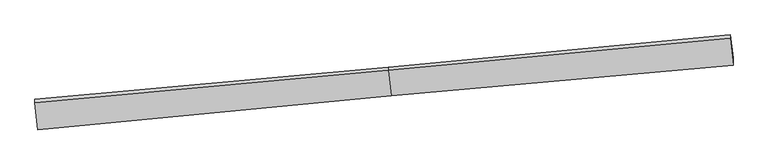
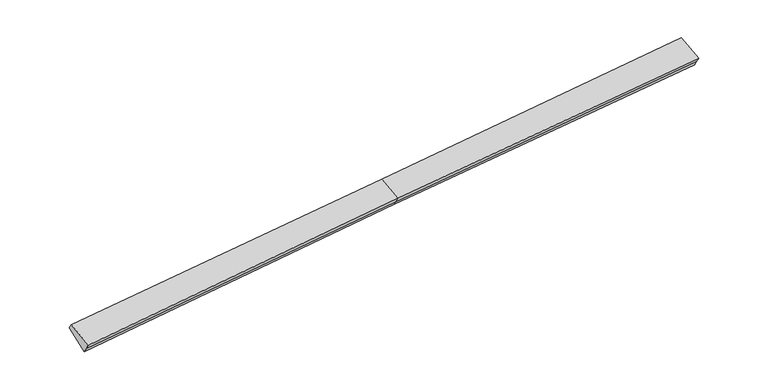
"""IFC4 building model written with IfcOpenShell, lengths in millimetres: proxy geometry."""

import ifcopenshell
import ifcopenshell.guid

model = None  # the IFC model being written
_history = None  # IfcOwnerHistory: only IFC2X3 demands one
_inside = {}  # id of a spatial element -> (the spatial element, [elements in it])
_under = {}  # id of a project, library or spatial element -> (it, [spatial elements below it])
_declared = {}  # id of a project -> (the project, [libraries it declares])
_typed = {}  # id of a type object -> (the type object, [elements of that type])
_made_of = {}  # id of a material, layer set ... -> (it, [elements and type objects made of it])


def new_model(schema):
    """Start an empty IFC model of exactly this schema.

    Asked for "IFC4X3", IfcOpenShell would pick the latest addendum, in which some entities
    have other attributes; the version numbers below select the first issue.
    IFC2X3 requires an IfcOwnerHistory on every rooted entity: one is made here for all.
    """
    global model, _history
    if schema == "IFC4X3":
        model = ifcopenshell.file(schema_version=(4, 3, 0, 0))
    else:
        model = ifcopenshell.file(schema=schema)
    _inside.clear()
    _under.clear()
    _declared.clear()
    _typed.clear()
    _made_of.clear()
    _history = None
    if model.schema == "IFC2X3":
        org = make("IfcOrganization", Name="unknown")
        user = make(
            "IfcPersonAndOrganization",
            ThePerson=make("IfcPerson", FamilyName="unknown"),
            TheOrganization=org,
        )
        app = make(
            "IfcApplication",
            ApplicationDeveloper=org,
            Version="unknown",
            ApplicationFullName="unknown",
            ApplicationIdentifier="unknown",
        )
        _history = make(
            "IfcOwnerHistory",
            OwningUser=user,
            OwningApplication=app,
            ChangeAction="ADDED",
            CreationDate=0,
        )
    return model


def make(cls, **values):
    """One entity of the class cls with the attributes given. An attribute that is None is left unset."""
    return model.create_entity(
        cls, **{name: value for name, value in values.items() if value is not None}
    )


def rooted(cls, **values):
    """An entity with a GlobalId (a new one), such as an element, a storey or a relation."""
    return make(cls, GlobalId=ifcopenshell.guid.new(), OwnerHistory=_history, **values)


def si_unit(unit_type, name, prefix=None):
    """IfcSIUnit, for example si_unit("LENGTHUNIT", "METRE", prefix="MILLI")."""
    return make("IfcSIUnit", UnitType=unit_type, Prefix=prefix, Name=name)


def assignment(units):
    """IfcUnitAssignment: the units of a project."""
    return None if units is None else make("IfcUnitAssignment", Units=units)


def point(xyz):
    """IfcCartesianPoint."""
    return None if xyz is None else make("IfcCartesianPoint", Coordinates=xyz)


def direction(xyz):
    """IfcDirection."""
    return None if xyz is None else make("IfcDirection", DirectionRatios=xyz)


def frame(location, z_axis=None, x_axis=None):
    """IfcAxis2Placement3D, a coordinate frame: its origin and axes. An axis left out is left unset."""
    return make(
        "IfcAxis2Placement3D",
        Location=point(location),
        Axis=direction(z_axis),
        RefDirection=direction(x_axis),
    )


def origin():
    """The frame at (0, 0, 0) with its axes left unset."""
    return frame((0.0, 0.0, 0.0))


def place(relative_to, where):
    """IfcLocalPlacement: puts the frame where relative to a parent placement (None: the world)."""
    return make(
        "IfcLocalPlacement", PlacementRelTo=relative_to, RelativePlacement=where
    )


def context(
    kind, dimensions, precision=None, world=None, true_north=None, identifier=None
):
    """IfcGeometricRepresentationContext, for example the 3D "Model" context."""
    return make(
        "IfcGeometricRepresentationContext",
        ContextIdentifier=identifier,
        ContextType=kind,
        CoordinateSpaceDimension=dimensions,
        Precision=precision,
        WorldCoordinateSystem=world,
        TrueNorth=true_north,
    )


def project(units=None, contexts=None):
    """IfcProject with its units and contexts."""
    return rooted(
        "IfcProject",
        Name="project",
        RepresentationContexts=contexts,
        UnitsInContext=assignment(units),
    )


def spatial(cls, under=None, at=None, **own):
    """A site, building, storey or space (cls), placed at a placement, below another one or the project."""
    s = rooted(cls, ObjectPlacement=at, **own)
    if under is not None:
        _under.setdefault(under.id(), (under, []))[1].append(s)
    return s


def faces_of(points, faces, orient=None, outer=None):
    """IfcFace entities. A face is a list of loops; a loop is a list of indices into points, from 0.

    orient and outer hold one flag for each loop. By default every Orientation is true, the
    first loop of a face is its IfcFaceOuterBound and the others are IfcFaceBound.
    """
    made = []
    for i, loops in enumerate(faces):
        bounds = []
        for j, loop in enumerate(loops):
            is_outer = j == 0 if outer is None else outer[i][j]
            bounds.append(
                make(
                    "IfcFaceOuterBound" if is_outer else "IfcFaceBound",
                    Bound=make("IfcPolyLoop", Polygon=[points[k] for k in loop]),
                    Orientation=True if orient is None else orient[i][j],
                )
            )
        made.append(make("IfcFace", Bounds=bounds))
    return made


def faceted_brep(points, faces, orient=None, outer=None, voids=None):
    """IfcFacetedBrep: a solid bounded by flat faces; with voids (closed shells), ...WithVoids."""
    shared = [point(p) for p in points]
    hull = make("IfcClosedShell", CfsFaces=faces_of(shared, faces, orient, outer))
    if voids is None:
        return make("IfcFacetedBrep", Outer=hull)
    return make(
        "IfcFacetedBrepWithVoids",
        Outer=hull,
        Voids=[
            make(cls, CfsFaces=faces_of(shared, fs, o, b)) for cls, fs, o, b in voids
        ],
    )


def shape(context_of_items, identifier, shape_type, items):
    """IfcShapeRepresentation: the items that make up one representation, for example the "Body"."""
    return make(
        "IfcShapeRepresentation",
        ContextOfItems=context_of_items,
        RepresentationIdentifier=identifier,
        RepresentationType=shape_type,
        Items=items,
    )


def source(mapping_origin, context_of_items, identifier, shape_type, items):
    """IfcRepresentationMap: a shape defined once, which mapped items show again and again."""
    return make(
        "IfcRepresentationMap",
        MappingOrigin=mapping_origin,
        MappedRepresentation=shape(context_of_items, identifier, shape_type, items),
    )


def transform(
    local_origin,
    x_axis=None,
    y_axis=None,
    z_axis=None,
    scale=None,
    scale2=None,
    scale3=None,
    uniform=True,
):
    """IfcCartesianTransformationOperator3D, or its non-uniform kind. x_axis, y_axis, z_axis: its Axis1, 2, 3."""
    if uniform:
        return make(
            "IfcCartesianTransformationOperator3D",
            Axis1=direction(x_axis),
            Axis2=direction(y_axis),
            LocalOrigin=point(local_origin),
            Scale=scale,
            Axis3=direction(z_axis),
        )
    return make(
        "IfcCartesianTransformationOperator3DnonUniform",
        Axis1=direction(x_axis),
        Axis2=direction(y_axis),
        LocalOrigin=point(local_origin),
        Scale=scale,
        Axis3=direction(z_axis),
        Scale2=scale2,
        Scale3=scale3,
    )


def mapped(mapping_source, mapping_target):
    """IfcMappedItem: shows the shape of a source again, moved by a transform."""
    return make(
        "IfcMappedItem", MappingSource=mapping_source, MappingTarget=mapping_target
    )


def made_of(thing, what):
    """Note that an element or type object is made of a material, layer set ...; save() writes the relation."""
    if what is not None:
        _made_of.setdefault(what.id(), (what, []))[1].append(thing)
    return thing


def element(
    cls,
    number,
    at=None,
    inside=None,
    cuts=None,
    type_object=None,
    material=None,
    context=None,
    identifier="Body",
    shape_type=None,
    held_by="IfcProductDefinitionShape",
    body=None,
    shapes=None,
    **own,
):
    """One element of the class cls, such as IfcWall. Its Tag is "e" and its number.

    at: its placement. inside: the storey or other place that contains it. cuts: it is an
    opening in that element (IfcRelVoidsElement). A single representation is given by context,
    identifier, shape_type and body (its items); several are given by shapes. held_by: the class
    of the entity that holds the representations. save() writes the other relations.
    """
    e = rooted(cls, Tag="e%d" % number, ObjectPlacement=at, **own)
    if body is not None:
        shapes = [shape(context, identifier, shape_type, body)]
    if shapes is not None:
        e.Representation = make(held_by, Representations=shapes)
    if inside is not None:
        _inside.setdefault(inside.id(), (inside, []))[1].append(e)
    if cuts is not None:
        rooted(
            "IfcRelVoidsElement", RelatingBuildingElement=cuts, RelatedOpeningElement=e
        )
    if type_object is not None:
        _typed.setdefault(type_object.id(), (type_object, []))[1].append(e)
    return made_of(e, material)


def aggregate(whole, parts):
    """IfcRelAggregates: a whole, such as a stair, and the parts it consists of."""
    return rooted("IfcRelAggregates", RelatingObject=whole, RelatedObjects=parts)


def save(model, path):
    """Write the relations noted so far, then the file.

    IfcRelAggregates (storeys below a building ...), IfcRelContainedInSpatialStructure (elements
    in a storey), IfcRelDefinesByType, IfcRelAssociatesMaterial and IfcRelDeclares: one each for
    every whole, place, type object, material and project.
    """
    for whole, parts in _under.values():
        aggregate(whole, parts)
    for where, things in _inside.values():
        rooted(
            "IfcRelContainedInSpatialStructure",
            RelatedElements=things,
            RelatingStructure=where,
        )
    for kind, things in _typed.values():
        rooted("IfcRelDefinesByType", RelatedObjects=things, RelatingType=kind)
    for what, things in _made_of.values():
        rooted("IfcRelAssociatesMaterial", RelatedObjects=things, RelatingMaterial=what)
    for by, libraries in _declared.values():
        rooted("IfcRelDeclares", RelatingContext=by, RelatedDefinitions=libraries)
    model.write(path)


def generic_models_a1f39166(model_context):
    return source(origin(), model_context, "Body", "Brep", [
        faceted_brep([(-17072.5217674, -2664.4980286, 963.4881351), (-17073.8510988, -2840.4183627, 1236.2282966), (119.2871178, -1271.5044309, 2343.1165817), (120.4089829, -1123.0396647, 2112.9424833), (-16923.8459447, -3770.2955489, 250.9614988), (260.6854257, -2166.3656054, 1440.6697485), (-16925.0542174, -3930.1952808, 498.8639308), (259.7024241, -2296.4535229, 1642.353083), (-16926.7689292, -4157.115869, 850.6729367), (258.0599403, -2513.815649, 1979.3430145), (16904.9716826, -800.7763238, 2682.2598153), (16906.1185177, -649.0070867, 2446.9625916), (16757.4529794, 456.7139421, 3159.4399403), (16756.1849753, 288.9095142, 3419.597511), (16903.2569708, -1027.696912, 3034.0688212)], [[[0, 1, 2, 3]], [[4, 0, 5]], [[6, 4, 5, 7]], [[8, 6, 7, 9]], [[1, 8, 9, 2]], [[10, 11, 12, 13, 14]], [[1, 0, 4, 6, 8]], [[3, 5, 0]], [[7, 5, 11, 10]], [[5, 3, 12, 11]], [[3, 2, 13, 12]], [[2, 9, 14, 13]], [[9, 7, 10, 14]]]),
    ])


if __name__ == "__main__":
    model = new_model("IFC4")
    model_context = context("Model", 3, world=origin())
    ifc_project = project(units=[si_unit("LENGTHUNIT", "METRE", prefix="MILLI")], contexts=[model_context])
    site = spatial("IfcSite", under=ifc_project)
    building = spatial("IfcBuilding", under=site)
    placement = place(None, origin())
    generic_models_shape = generic_models_a1f39166(model_context)
    element("IfcBuildingElementProxy", 1, Name="Generic Models", at=placement, inside=building, context=model_context, shape_type="MappedRepresentation", body=[
        mapped(generic_models_shape, transform((0.0, 0.0, 0.0), x_axis=(1.0, 0.0, 0.0), y_axis=(0.0, 1.0, 0.0), z_axis=(0.0, 0.0, 1.0))),
    ])
    save(model, "model.ifc")
